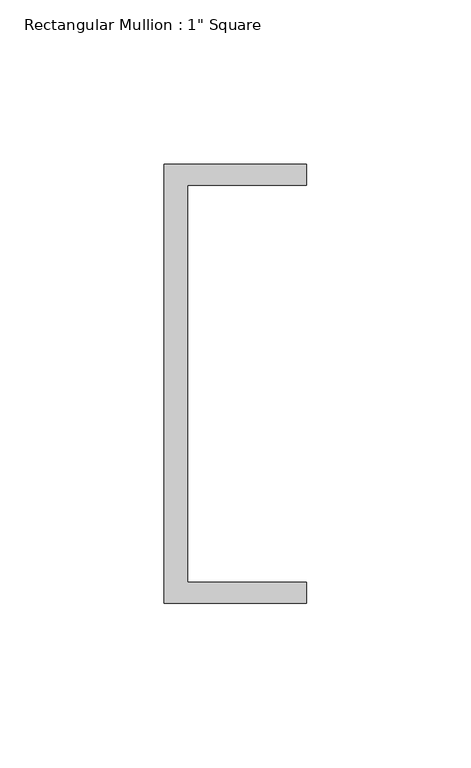
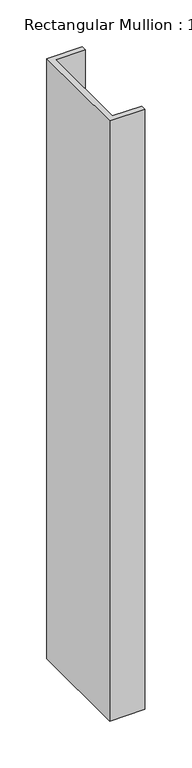
"""IFC4 building model written with IfcOpenShell, lengths in millimetres: member geometry."""

from ifc_helpers import new_model, si_unit, frame, origin, place, context, project, spatial, polyline, outline, extrude, source, transform, mapped, element, save


def member_bf0459a7(model_context):
    return source(origin(), model_context, "Body", "SweptSolid", [
        extrude(outline(polyline([(-18.6549463, 135.2608739), (24.5675083, 135.2608739), (24.5675083, 128.9108739), (-11.6110886, 128.9108739), (-11.6110886, 8.2608739), (24.5675083, 8.2608739), (24.5675083, 1.9108739), (-18.6549463, 1.9108739), (-18.6549463, 135.2608739)])), frame((0.0, 0.0, -779.8640676), z_axis=(0.0, 0.0, 1.0), x_axis=(1.0, 0.0, 0.0)), (0.0, 0.0, 1.0), 779.8640676),
    ])


if __name__ == "__main__":
    model = new_model("IFC4")
    model_context = context("Model", 3, world=origin())
    ifc_project = project(units=[si_unit("LENGTHUNIT", "METRE", prefix="MILLI")], contexts=[model_context])
    site = spatial("IfcSite", under=ifc_project)
    building = spatial("IfcBuilding", under=site)
    placement = place(None, origin())
    member_shape = member_bf0459a7(model_context)
    element("IfcMember", 1, ObjectType="Rectangular Mullion : 1\" Square", at=placement, inside=building, context=model_context, shape_type="MappedRepresentation", body=[
        mapped(member_shape, transform((0.0, 0.0, 0.0), x_axis=(1.0, 0.0, 0.0), y_axis=(0.0, 1.0, 0.0), z_axis=(0.0, 0.0, 1.0))),
    ])
    save(model, "model.ifc")
